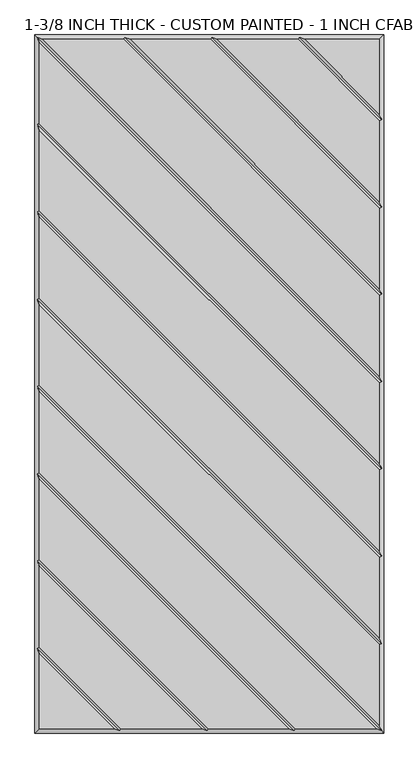
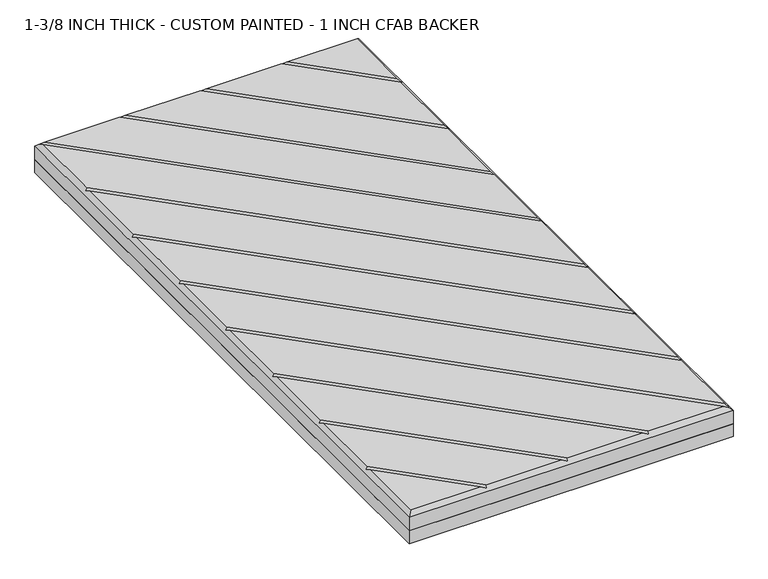
"""IFC4 building model written with IfcOpenShell, lengths in millimetres: proxy geometry, 1-3/8 INCH THICK - CUSTOM PAINTED - 1 INCH CFAB BACKER."""

from ifc_helpers import new_model, si_unit, frame, origin, place, context, project, spatial, polyline, outline, extrude, faceted_brep, source, transform, mapped, element, save


def proxy_1_3_8_inch_thick_custom_painted_1_inch_cfab_backer_0b5122fa(model_context):
    return source(origin(), model_context, "Body", "SolidModel", [
        extrude(outline(polyline([(-304.8, 609.6), (304.8, 609.6), (304.8, -609.6), (-304.8, -609.6), (-304.8, 609.6)])), frame((0.0, 0.0, -25.4), z_axis=(0.0, 0.0, 1.0), x_axis=(1.0, 0.0, 0.0)), (0.0, 0.0, 1.0), 25.4),
        faceted_brep([(296.799, 601.599, 34.925), (166.0590948, 601.599, 34.925), (296.799, 470.8590948, 34.925), (-296.799, -601.599, 34.925), (-166.0590079, -601.599, 34.925), (-296.799, -470.8585721, 34.925), (296.799, 459.543972, 34.925), (154.743972, 601.599, 34.925), (13.6585868, 601.599, 34.925), (296.799, 318.4585868, 34.925), (296.799, 307.143464, 34.925), (2.343464, 601.599, 34.925), (-138.7419092, 601.599, 34.925), (296.799, 166.0585747, 34.925), (296.799, 154.7434583, 34.925), (-150.0570382, 601.599, 34.925), (-291.1414386, 601.599, 34.925), (296.799, 13.6585614, 34.925), (296.799, 2.3434386, 34.925), (-296.799, 595.9414386, 34.925), (-296.799, 454.8565868, 34.925), (296.799, -138.7414132, 34.925), (296.799, -150.056536, 34.925), (-296.799, 443.541464, 34.925), (-296.799, 302.4565868, 34.925), (296.799, -291.1414132, 34.925), (296.799, -302.456536, 34.925), (-296.799, 291.141464, 34.925), (-296.799, 150.0565868, 34.925), (296.799, -443.5414132, 34.925), (296.799, -454.856536, 34.925), (-296.799, 138.741464, 34.925), (-296.799, -2.3434386, 34.925), (296.799, -595.9414386, 34.925), (291.1414386, -601.599, 34.925), (-296.799, -13.6585614, 34.925), (-296.799, -154.7434132, 34.925), (150.0565868, -601.599, 34.925), (-296.799, -459.5434305, 34.925), (-154.743904, -601.599, 34.925), (-13.6585605, -601.599, 34.925), (-296.799, -318.4585369, 34.925), (-296.799, -307.1434137, 34.925), (-2.3434382, -601.599, 34.925), (138.741464, -601.599, 34.925), (-296.799, -166.058536, 34.925), (-304.8, 609.6, 0.0), (304.8, 609.6, 0.0), (304.8, -609.6, 0.0), (-304.8, -609.6, 0.0), (-304.8, -609.6, 26.924), (-304.8, 609.6, 26.924), (304.8, -609.6, 26.924), (304.8, 609.6, 26.924), (-300.7995, 605.5995, 30.9245), (-148.3999782, 605.5995, 30.9245), (4.0005254, 605.5995, 30.9245), (156.4010334, 605.5995, 30.9245), (-300.7995, -461.2004879, 30.9245), (-300.7995, -308.8004749, 30.9245), (-300.7995, -156.4004746, 30.9245), (-300.7995, -4.0005, 30.9245), (-300.7995, 148.3995254, 30.9245), (-300.7995, 300.7995254, 30.9245), (-300.7995, 453.1995254, 30.9245), (300.7995, -605.5995, 30.9245), (148.3995254, -605.5995, 30.9245), (-4.0004997, -605.5995, 30.9245), (-156.4009693, -605.5995, 30.9245), (300.7995, 461.2010334, 30.9245), (300.7995, 308.8005254, 30.9245), (300.7995, 156.400521, 30.9245), (300.7995, 4.0005, 30.9245), (300.7995, -148.3994746, 30.9245), (300.7995, -300.7994746, 30.9245), (300.7995, -453.1994746, 30.9245)], [[[0, 1, 2]], [[3, 4, 5]], [[6, 7, 8, 9]], [[10, 11, 12, 13]], [[14, 15, 16, 17]], [[18, 19, 20, 21]], [[22, 23, 24, 25]], [[26, 27, 28, 29]], [[30, 31, 32, 33]], [[34, 35, 36, 37]], [[38, 39, 40, 41]], [[42, 43, 44, 45]], [[46, 47, 48, 49]], [[46, 49, 50, 51]], [[49, 48, 52, 50]], [[48, 47, 53, 52]], [[47, 46, 51, 53]], [[0, 53, 51, 54, 16, 15, 55, 12, 11, 56, 8, 7, 57, 1]], [[50, 3, 5, 58, 38, 41, 59, 42, 45, 60, 36, 35, 61, 32, 31, 62, 28, 27, 63, 24, 23, 64, 20, 19, 54, 51]], [[3, 50, 52, 65, 34, 37, 66, 44, 43, 67, 40, 39, 68, 4]], [[53, 0, 2, 69, 6, 9, 70, 10, 13, 71, 14, 17, 72, 18, 21, 73, 22, 25, 74, 26, 29, 75, 30, 33, 65, 52]], [[57, 69, 2, 1]], [[69, 57, 7, 6]], [[56, 70, 9, 8]], [[70, 56, 11, 10]], [[55, 71, 13, 12]], [[71, 55, 15, 14]], [[54, 72, 17, 16]], [[72, 54, 19, 18]], [[64, 73, 21, 20]], [[73, 64, 23, 22]], [[63, 74, 25, 24]], [[74, 63, 27, 26]], [[62, 75, 29, 28]], [[75, 62, 31, 30]], [[61, 65, 33, 32]], [[65, 61, 35, 34]], [[58, 68, 39, 38]], [[68, 58, 5, 4]], [[59, 67, 43, 42]], [[67, 59, 41, 40]], [[60, 66, 37, 36]], [[66, 60, 45, 44]]]),
    ])


if __name__ == "__main__":
    model = new_model("IFC4")
    model_context = context("Model", 3, world=origin())
    ifc_project = project(units=[si_unit("LENGTHUNIT", "METRE", prefix="MILLI")], contexts=[model_context])
    site = spatial("IfcSite", under=ifc_project)
    building = spatial("IfcBuilding", under=site)
    placement = place(None, origin())
    proxy_1_3_8_inch_thick_custom_painted_1_inch_cfab_backer_shape = proxy_1_3_8_inch_thick_custom_painted_1_inch_cfab_backer_0b5122fa(model_context)
    element("IfcBuildingElementProxy", 1, Name="1-3/8 INCH THICK - CUSTOM PAINTED - 1 INCH CFAB BACKER", ObjectType="1-3/8 INCH THICK - CUSTOM PAINTED - 1 INCH CFAB BACKER", at=placement, inside=building, context=model_context, shape_type="MappedRepresentation", body=[
        mapped(proxy_1_3_8_inch_thick_custom_painted_1_inch_cfab_backer_shape, transform((0.0, 0.0, 0.0), x_axis=(1.0, 0.0, 0.0), y_axis=(0.0, 1.0, 0.0), z_axis=(0.0, 0.0, 1.0))),
    ])
    save(model, "model.ifc")
